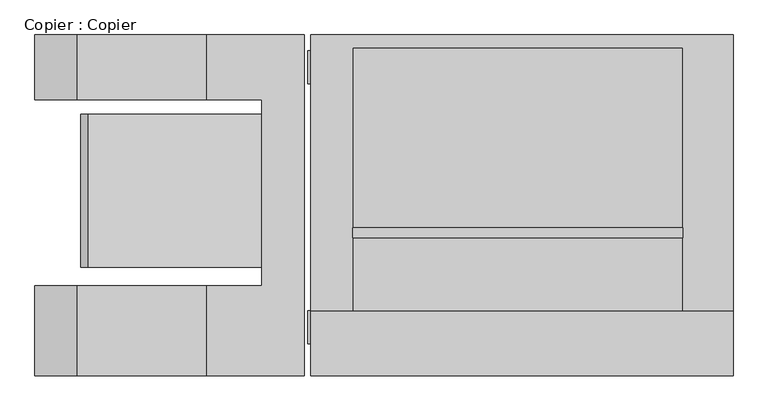
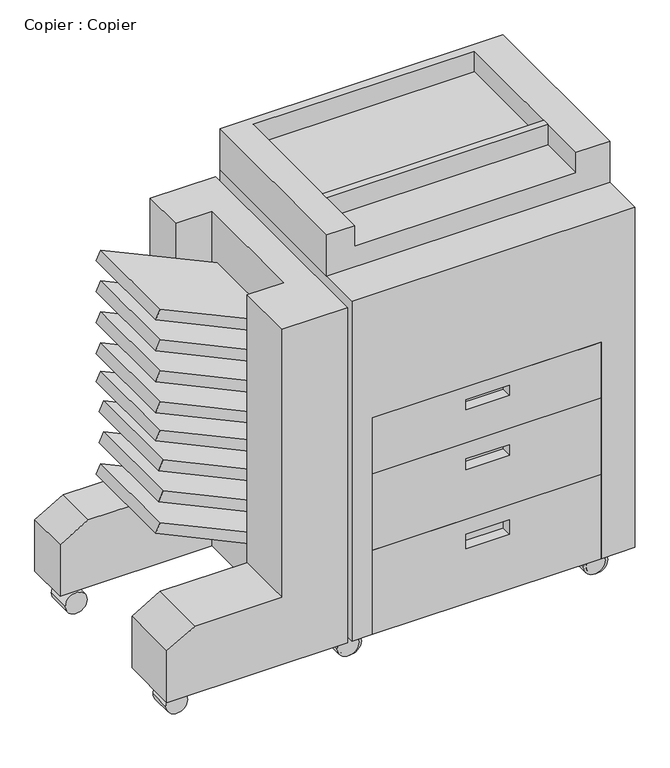
"""IFC4 building model written with IfcOpenShell, lengths in millimetres: proxy geometry, Copier : Copier."""

import ifcopenshell
import ifcopenshell.guid

model = None  # the IFC model being written
_history = None  # IfcOwnerHistory: only IFC2X3 demands one
_inside = {}  # id of a spatial element -> (the spatial element, [elements in it])
_under = {}  # id of a project, library or spatial element -> (it, [spatial elements below it])
_declared = {}  # id of a project -> (the project, [libraries it declares])
_typed = {}  # id of a type object -> (the type object, [elements of that type])
_made_of = {}  # id of a material, layer set ... -> (it, [elements and type objects made of it])


def new_model(schema):
    """Start an empty IFC model of exactly this schema.

    Asked for "IFC4X3", IfcOpenShell would pick the latest addendum, in which some entities
    have other attributes; the version numbers below select the first issue.
    IFC2X3 requires an IfcOwnerHistory on every rooted entity: one is made here for all.
    """
    global model, _history
    if schema == "IFC4X3":
        model = ifcopenshell.file(schema_version=(4, 3, 0, 0))
    else:
        model = ifcopenshell.file(schema=schema)
    _inside.clear()
    _under.clear()
    _declared.clear()
    _typed.clear()
    _made_of.clear()
    _history = None
    if model.schema == "IFC2X3":
        org = make("IfcOrganization", Name="unknown")
        user = make(
            "IfcPersonAndOrganization",
            ThePerson=make("IfcPerson", FamilyName="unknown"),
            TheOrganization=org,
        )
        app = make(
            "IfcApplication",
            ApplicationDeveloper=org,
            Version="unknown",
            ApplicationFullName="unknown",
            ApplicationIdentifier="unknown",
        )
        _history = make(
            "IfcOwnerHistory",
            OwningUser=user,
            OwningApplication=app,
            ChangeAction="ADDED",
            CreationDate=0,
        )
    return model


def make(cls, **values):
    """One entity of the class cls with the attributes given. An attribute that is None is left unset."""
    return model.create_entity(
        cls, **{name: value for name, value in values.items() if value is not None}
    )


def rooted(cls, **values):
    """An entity with a GlobalId (a new one), such as an element, a storey or a relation."""
    return make(cls, GlobalId=ifcopenshell.guid.new(), OwnerHistory=_history, **values)


def si_unit(unit_type, name, prefix=None):
    """IfcSIUnit, for example si_unit("LENGTHUNIT", "METRE", prefix="MILLI")."""
    return make("IfcSIUnit", UnitType=unit_type, Prefix=prefix, Name=name)


def assignment(units):
    """IfcUnitAssignment: the units of a project."""
    return None if units is None else make("IfcUnitAssignment", Units=units)


def point(xyz):
    """IfcCartesianPoint."""
    return None if xyz is None else make("IfcCartesianPoint", Coordinates=xyz)


def direction(xyz):
    """IfcDirection."""
    return None if xyz is None else make("IfcDirection", DirectionRatios=xyz)


def frame(location, z_axis=None, x_axis=None):
    """IfcAxis2Placement3D, a coordinate frame: its origin and axes. An axis left out is left unset."""
    return make(
        "IfcAxis2Placement3D",
        Location=point(location),
        Axis=direction(z_axis),
        RefDirection=direction(x_axis),
    )


def frame_2d(location, x_axis=None):
    """IfcAxis2Placement2D, a coordinate frame in the plane: its origin and x axis."""
    return make(
        "IfcAxis2Placement2D", Location=point(location), RefDirection=direction(x_axis)
    )


def origin():
    """The frame at (0, 0, 0) with its axes left unset."""
    return frame((0.0, 0.0, 0.0))


def place(relative_to, where):
    """IfcLocalPlacement: puts the frame where relative to a parent placement (None: the world)."""
    return make(
        "IfcLocalPlacement", PlacementRelTo=relative_to, RelativePlacement=where
    )


def context(
    kind, dimensions, precision=None, world=None, true_north=None, identifier=None
):
    """IfcGeometricRepresentationContext, for example the 3D "Model" context."""
    return make(
        "IfcGeometricRepresentationContext",
        ContextIdentifier=identifier,
        ContextType=kind,
        CoordinateSpaceDimension=dimensions,
        Precision=precision,
        WorldCoordinateSystem=world,
        TrueNorth=true_north,
    )


def project(units=None, contexts=None):
    """IfcProject with its units and contexts."""
    return rooted(
        "IfcProject",
        Name="project",
        RepresentationContexts=contexts,
        UnitsInContext=assignment(units),
    )


def spatial(cls, under=None, at=None, **own):
    """A site, building, storey or space (cls), placed at a placement, below another one or the project."""
    s = rooted(cls, ObjectPlacement=at, **own)
    if under is not None:
        _under.setdefault(under.id(), (under, []))[1].append(s)
    return s


def polyline(points):
    """IfcPolyline through the points."""
    return make("IfcPolyline", Points=[point(p) for p in points])


def circle_curve(where, radius):
    """IfcCircle in the frame where."""
    return make("IfcCircle", Position=where, Radius=radius)


def trimmed(basis, trim1, trim2, sense, master):
    """IfcTrimmedCurve: the piece of a basis curve between two trims."""
    return make(
        "IfcTrimmedCurve",
        BasisCurve=basis,
        Trim1=trim1,
        Trim2=trim2,
        SenseAgreement=sense,
        MasterRepresentation=master,
    )


def segment(curve, same_sense, transition):
    """IfcCompositeCurveSegment."""
    return make(
        "IfcCompositeCurveSegment",
        Transition=transition,
        SameSense=same_sense,
        ParentCurve=curve,
    )


def composite_curve(segments, self_intersect=None):
    """IfcCompositeCurve: segments joined end to end."""
    return make("IfcCompositeCurve", Segments=segments, SelfIntersect=self_intersect)


def outline(outer, holes=None, kind="AREA"):
    """IfcArbitraryClosedProfileDef: a profile drawn as a closed curve; with holes, ...WithVoids."""
    if holes is None:
        return make("IfcArbitraryClosedProfileDef", ProfileType=kind, OuterCurve=outer)
    return make(
        "IfcArbitraryProfileDefWithVoids",
        ProfileType=kind,
        OuterCurve=outer,
        InnerCurves=holes,
    )


def extrude(swept, where, along, depth):
    """IfcExtrudedAreaSolid: the profile swept, set in the frame where, extruded along a direction by depth."""
    return make(
        "IfcExtrudedAreaSolid",
        SweptArea=swept,
        Position=where,
        ExtrudedDirection=direction(along),
        Depth=depth,
    )


def faces_of(points, faces, orient=None, outer=None):
    """IfcFace entities. A face is a list of loops; a loop is a list of indices into points, from 0.

    orient and outer hold one flag for each loop. By default every Orientation is true, the
    first loop of a face is its IfcFaceOuterBound and the others are IfcFaceBound.
    """
    made = []
    for i, loops in enumerate(faces):
        bounds = []
        for j, loop in enumerate(loops):
            is_outer = j == 0 if outer is None else outer[i][j]
            bounds.append(
                make(
                    "IfcFaceOuterBound" if is_outer else "IfcFaceBound",
                    Bound=make("IfcPolyLoop", Polygon=[points[k] for k in loop]),
                    Orientation=True if orient is None else orient[i][j],
                )
            )
        made.append(make("IfcFace", Bounds=bounds))
    return made


def faceted_brep(points, faces, orient=None, outer=None, voids=None):
    """IfcFacetedBrep: a solid bounded by flat faces; with voids (closed shells), ...WithVoids."""
    shared = [point(p) for p in points]
    hull = make("IfcClosedShell", CfsFaces=faces_of(shared, faces, orient, outer))
    if voids is None:
        return make("IfcFacetedBrep", Outer=hull)
    return make(
        "IfcFacetedBrepWithVoids",
        Outer=hull,
        Voids=[
            make(cls, CfsFaces=faces_of(shared, fs, o, b)) for cls, fs, o, b in voids
        ],
    )


def shape(context_of_items, identifier, shape_type, items):
    """IfcShapeRepresentation: the items that make up one representation, for example the "Body"."""
    return make(
        "IfcShapeRepresentation",
        ContextOfItems=context_of_items,
        RepresentationIdentifier=identifier,
        RepresentationType=shape_type,
        Items=items,
    )


def source(mapping_origin, context_of_items, identifier, shape_type, items):
    """IfcRepresentationMap: a shape defined once, which mapped items show again and again."""
    return make(
        "IfcRepresentationMap",
        MappingOrigin=mapping_origin,
        MappedRepresentation=shape(context_of_items, identifier, shape_type, items),
    )


def transform(
    local_origin,
    x_axis=None,
    y_axis=None,
    z_axis=None,
    scale=None,
    scale2=None,
    scale3=None,
    uniform=True,
):
    """IfcCartesianTransformationOperator3D, or its non-uniform kind. x_axis, y_axis, z_axis: its Axis1, 2, 3."""
    if uniform:
        return make(
            "IfcCartesianTransformationOperator3D",
            Axis1=direction(x_axis),
            Axis2=direction(y_axis),
            LocalOrigin=point(local_origin),
            Scale=scale,
            Axis3=direction(z_axis),
        )
    return make(
        "IfcCartesianTransformationOperator3DnonUniform",
        Axis1=direction(x_axis),
        Axis2=direction(y_axis),
        LocalOrigin=point(local_origin),
        Scale=scale,
        Axis3=direction(z_axis),
        Scale2=scale2,
        Scale3=scale3,
    )


def mapped(mapping_source, mapping_target):
    """IfcMappedItem: shows the shape of a source again, moved by a transform."""
    return make(
        "IfcMappedItem", MappingSource=mapping_source, MappingTarget=mapping_target
    )


def made_of(thing, what):
    """Note that an element or type object is made of a material, layer set ...; save() writes the relation."""
    if what is not None:
        _made_of.setdefault(what.id(), (what, []))[1].append(thing)
    return thing


def element(
    cls,
    number,
    at=None,
    inside=None,
    cuts=None,
    type_object=None,
    material=None,
    context=None,
    identifier="Body",
    shape_type=None,
    held_by="IfcProductDefinitionShape",
    body=None,
    shapes=None,
    **own,
):
    """One element of the class cls, such as IfcWall. Its Tag is "e" and its number.

    at: its placement. inside: the storey or other place that contains it. cuts: it is an
    opening in that element (IfcRelVoidsElement). A single representation is given by context,
    identifier, shape_type and body (its items); several are given by shapes. held_by: the class
    of the entity that holds the representations. save() writes the other relations.
    """
    e = rooted(cls, Tag="e%d" % number, ObjectPlacement=at, **own)
    if body is not None:
        shapes = [shape(context, identifier, shape_type, body)]
    if shapes is not None:
        e.Representation = make(held_by, Representations=shapes)
    if inside is not None:
        _inside.setdefault(inside.id(), (inside, []))[1].append(e)
    if cuts is not None:
        rooted(
            "IfcRelVoidsElement", RelatingBuildingElement=cuts, RelatedOpeningElement=e
        )
    if type_object is not None:
        _typed.setdefault(type_object.id(), (type_object, []))[1].append(e)
    return made_of(e, material)


def aggregate(whole, parts):
    """IfcRelAggregates: a whole, such as a stair, and the parts it consists of."""
    return rooted("IfcRelAggregates", RelatingObject=whole, RelatedObjects=parts)


def save(model, path):
    """Write the relations noted so far, then the file.

    IfcRelAggregates (storeys below a building ...), IfcRelContainedInSpatialStructure (elements
    in a storey), IfcRelDefinesByType, IfcRelAssociatesMaterial and IfcRelDeclares: one each for
    every whole, place, type object, material and project.
    """
    for whole, parts in _under.values():
        aggregate(whole, parts)
    for where, things in _inside.values():
        rooted(
            "IfcRelContainedInSpatialStructure",
            RelatedElements=things,
            RelatingStructure=where,
        )
    for kind, things in _typed.values():
        rooted("IfcRelDefinesByType", RelatedObjects=things, RelatingType=kind)
    for what, things in _made_of.values():
        rooted("IfcRelAssociatesMaterial", RelatedObjects=things, RelatingMaterial=what)
    for by, libraries in _declared.values():
        rooted("IfcRelDeclares", RelatingContext=by, RelatedDefinitions=libraries)
    model.write(path)


def copier_copier_a40bf9c1(model_context):
    return source(origin(), model_context, "Body", "SolidModel", [
        extrude(outline(polyline([(387.7567294, -681.6535349), (364.7365116, -692.3880388), (232.9041289, -409.6725817), (260.929928, -409.6725817), (387.7567294, -681.6535349)])), frame((0.0, -72.1685532, 0.0), z_axis=(0.0, 1.0, 0.0), x_axis=(0.0, 0.0, 1.0)), (0.0, 0.0, 1.0), 239.8222339),
        extrude(outline(polyline([(463.6667654, -675.0122673), (440.6465476, -685.7467712), (311.9110388, -409.6725817), (339.9368379, -409.6725817), (463.6667654, -675.0122673)])), frame((0.0, -72.1685532, 0.0), z_axis=(0.0, 1.0, 0.0), x_axis=(0.0, 0.0, 1.0)), (0.0, 0.0, 1.0), 239.8222339),
        extrude(outline(polyline([(539.8667654, -675.0122673), (516.8465476, -685.7467712), (388.1110388, -409.6725817), (416.1368379, -409.6725817), (539.8667654, -675.0122673)])), frame((0.0, -72.1685532, 0.0), z_axis=(0.0, 1.0, 0.0), x_axis=(0.0, 0.0, 1.0)), (0.0, 0.0, 1.0), 239.8222339),
        extrude(outline(polyline([(914.2268014, -681.6535349), (891.2065836, -692.3880388), (759.3742009, -409.6725817), (787.4, -409.6725817), (914.2268014, -681.6535349)])), frame((0.0, -72.1685532, 0.0), z_axis=(0.0, 1.0, 0.0), x_axis=(0.0, 0.0, 1.0)), (0.0, 0.0, 1.0), 239.8222339),
        extrude(outline(polyline([(838.0268014, -681.6535349), (815.0065836, -692.3880388), (683.1742009, -409.6725817), (711.2, -409.6725817), (838.0268014, -681.6535349)])), frame((0.0, -72.1685532, 0.0), z_axis=(0.0, 1.0, 0.0), x_axis=(0.0, 0.0, 1.0)), (0.0, 0.0, 1.0), 239.8222339),
        extrude(outline(polyline([(615.7768014, -681.6535349), (592.7565836, -692.3880388), (460.9242009, -409.6725817), (488.95, -409.6725817), (615.7768014, -681.6535349)])), frame((0.0, -72.1685532, 0.0), z_axis=(0.0, 1.0, 0.0), x_axis=(0.0, 0.0, 1.0)), (0.0, 0.0, 1.0), 239.8222339),
        extrude(outline(polyline([(685.6268014, -681.6535349), (662.6065836, -692.3880388), (530.7742009, -409.6725817), (558.8, -409.6725817), (685.6268014, -681.6535349)])), frame((0.0, -72.1685532, 0.0), z_axis=(0.0, 1.0, 0.0), x_axis=(0.0, 0.0, 1.0)), (0.0, 0.0, 1.0), 239.8222339),
        extrude(outline(polyline([(761.8268014, -681.6535349), (738.8065836, -692.3880388), (606.9742009, -409.6725817), (635.0, -409.6725817), (761.8268014, -681.6535349)])), frame((0.0, -72.1685532, 0.0), z_axis=(0.0, 1.0, 0.0), x_axis=(0.0, 0.0, 1.0)), (0.0, 0.0, 1.0), 239.8222339),
        extrude(outline(composite_curve([segment(trimmed(circle_curve(frame_2d((26.0668925, -711.8709821)), 25.4), [point((26.0668925, -737.2709821))], [point((26.0668925, -686.4709821))], False, "CARTESIAN"), True, "CONTINUOUS"), segment(trimmed(circle_curve(frame_2d((26.0668925, -711.8709821)), 25.4), [point((26.0668925, -686.4709821))], [point((26.0668925, -737.2709821))], False, "CARTESIAN"), True, "CONTINUOUS")], self_intersect=False)), frame((0.0, 215.1689468, 0.0), z_axis=(0.0, 1.0, 0.0), x_axis=(0.0, 0.0, 1.0)), (0.0, 0.0, 1.0), 55.9418879),
        extrude(outline(composite_curve([segment(trimmed(circle_curve(frame_2d((26.0668925, -711.8709821)), 25.4), [point((26.0668925, -737.2709821))], [point((26.0668925, -686.4709821))], False, "CARTESIAN"), True, "CONTINUOUS"), segment(trimmed(circle_curve(frame_2d((26.0668925, -711.8709821)), 25.4), [point((26.0668925, -686.4709821))], [point((26.0668925, -737.2709821))], False, "CARTESIAN"), True, "CONTINUOUS")], self_intersect=False)), frame((0.0, -191.2310532, 0.0), z_axis=(0.0, 1.0, 0.0), x_axis=(0.0, 0.0, 1.0)), (0.0, 0.0, 1.0), 51.3258053),
        faceted_brep([(-764.1654582, -242.0310532, 76.2), (-342.5743224, -242.0310532, 76.2), (-342.5743224, -242.0310532, 901.7), (-494.9743224, -242.0310532, 901.7), (-494.9743224, -242.0310532, 241.3), (-698.1743224, -242.0310532, 241.3), (-764.1654582, -242.0310532, 203.2), (-764.1654582, 291.3689468, 76.2), (-764.1654582, 291.3689468, 203.2), (-698.1743224, 291.3689468, 241.3), (-494.9743224, 291.3689468, 241.3), (-494.9743224, 291.3689468, 901.7), (-342.5743224, 291.3689468, 901.7), (-342.5743224, 291.3689468, 76.2), (-764.1654582, -100.8888364, 76.2), (-409.6725817, -100.8888364, 76.2), (-409.6725817, 189.7689468, 76.2), (-764.1654582, 189.7689468, 76.2), (-494.9743224, 189.7689468, 901.7), (-409.6725817, 189.7689468, 901.7), (-409.6725817, -100.8888364, 901.7), (-494.9743224, -100.8888364, 901.7), (-494.9743224, -100.8888364, 241.3), (-494.9743224, 189.7689468, 241.3), (-698.1743224, -100.8888364, 241.3), (-698.1743224, 189.7689468, 241.3), (-764.1654582, -100.8888364, 203.2), (-764.1654582, 189.7689468, 203.2)], [[[0, 1, 2, 3, 4, 5, 6]], [[7, 8, 9, 10, 11, 12, 13]], [[1, 0, 14, 15, 16, 17, 7, 13]], [[2, 1, 13, 12]], [[3, 2, 12, 11, 18, 19, 20, 21]], [[4, 3, 21, 22]], [[11, 10, 23, 18]], [[5, 4, 22, 24]], [[10, 9, 25, 23]], [[6, 5, 24, 26]], [[9, 8, 27, 25]], [[0, 6, 26, 14]], [[8, 7, 17, 27]], [[16, 19, 18, 23, 25, 27, 17]], [[20, 15, 14, 26, 24, 22, 21]], [[19, 16, 15, 20]]]),
        extrude(outline(composite_curve([segment(trimmed(circle_curve(frame_2d((27.9129458, -312.2555429)), 25.4), [point((27.9129458, -337.6555429))], [point((27.9129458, -286.8555429))], False, "CARTESIAN"), True, "CONTINUOUS"), segment(trimmed(circle_curve(frame_2d((27.9129458, -312.2555429)), 25.4), [point((27.9129458, -286.8555429))], [point((27.9129458, -337.6555429))], False, "CARTESIAN"), True, "CONTINUOUS")], self_intersect=False)), frame((0.0, 215.1689468, 0.0), z_axis=(0.0, 1.0, 0.0), x_axis=(0.0, 0.0, 1.0)), (0.0, 0.0, 1.0), 51.3258053),
        extrude(outline(composite_curve([segment(trimmed(circle_curve(frame_2d((27.9129458, 262.7398948)), 25.4), [point((27.9129458, 237.3398948))], [point((27.9129458, 288.1398948))], False, "CARTESIAN"), True, "CONTINUOUS"), segment(trimmed(circle_curve(frame_2d((27.9129458, 262.7398948)), 25.4), [point((27.9129458, 288.1398948))], [point((27.9129458, 237.3398948))], False, "CARTESIAN"), True, "CONTINUOUS")], self_intersect=False)), frame((0.0, 215.1689468, 0.0), z_axis=(0.0, 1.0, 0.0), x_axis=(0.0, 0.0, 1.0)), (0.0, 0.0, 1.0), 51.3258053),
        extrude(outline(composite_curve([segment(trimmed(circle_curve(frame_2d((27.9129458, -312.2555429)), 25.4), [point((27.9129458, -337.6555429))], [point((27.9129458, -286.8555429))], False, "CARTESIAN"), True, "CONTINUOUS"), segment(trimmed(circle_curve(frame_2d((27.9129458, -312.2555429)), 25.4), [point((27.9129458, -286.8555429))], [point((27.9129458, -337.6555429))], False, "CARTESIAN"), True, "CONTINUOUS")], self_intersect=False)), frame((0.0, -191.2310532, 0.0), z_axis=(0.0, 1.0, 0.0), x_axis=(0.0, 0.0, 1.0)), (0.0, 0.0, 1.0), 51.3258053),
        extrude(outline(composite_curve([segment(trimmed(circle_curve(frame_2d((27.9129458, 262.7398948)), 25.4), [point((27.9129458, 237.3398948))], [point((27.9129458, 288.1398948))], False, "CARTESIAN"), True, "CONTINUOUS"), segment(trimmed(circle_curve(frame_2d((27.9129458, 262.7398948)), 25.4), [point((27.9129458, 288.1398948))], [point((27.9129458, 237.3398948))], False, "CARTESIAN"), True, "CONTINUOUS")], self_intersect=False)), frame((0.0, -191.2310532, 0.0), z_axis=(0.0, 1.0, 0.0), x_axis=(0.0, 0.0, 1.0)), (0.0, 0.0, 1.0), 51.3258053),
        extrude(outline(composite_curve([segment(trimmed(circle_curve(frame_2d((27.9129458, -306.6302391)), 25.4), [point((27.9129458, -332.0302391))], [point((27.9129458, -281.2302391))], False, "CARTESIAN"), True, "CONTINUOUS"), segment(trimmed(circle_curve(frame_2d((27.9129458, -306.6302391)), 25.4), [point((27.9129458, -281.2302391))], [point((27.9129458, -332.0302391))], False, "CARTESIAN"), True, "CONTINUOUS")], self_intersect=False)), frame((0.0, -191.2310532, 0.0), z_axis=(0.0, 1.0, 0.0), x_axis=(0.0, 0.0, 1.0)), (0.0, 0.0, 1.0), 51.3258053),
        extrude(outline(composite_curve([segment(trimmed(circle_curve(frame_2d((27.9129458, 268.3651986)), 25.4), [point((27.9129458, 242.9651986))], [point((27.9129458, 293.7651986))], False, "CARTESIAN"), True, "CONTINUOUS"), segment(trimmed(circle_curve(frame_2d((27.9129458, 268.3651986)), 25.4), [point((27.9129458, 293.7651986))], [point((27.9129458, 242.9651986))], False, "CARTESIAN"), True, "CONTINUOUS")], self_intersect=False)), frame((0.0, -191.2310532, 0.0), z_axis=(0.0, 1.0, 0.0), x_axis=(0.0, 0.0, 1.0)), (0.0, 0.0, 1.0), 51.3258053),
        extrude(outline(polyline([(249.314028, -26.1310532), (-267.2959958, -26.1310532), (-267.2959958, -10.0577181), (249.314028, -10.0577181), (249.314028, -26.1310532)])), frame((0.0, 0.0, 965.2), z_axis=(0.0, 0.0, 1.0), x_axis=(1.0, 0.0, 0.0)), (0.0, 0.0, 1.0), 50.8),
        faceted_brep([(249.314028, -242.0310532, 472.3553727), (249.314028, -242.0310532, 609.6), (-284.085972, -242.0310532, 609.6), (-284.085972, -242.0310532, 472.3553727), (-66.7741493, -242.0310532, 578.8591447), (34.8258507, -242.0310532, 578.8591447), (34.8258507, -242.0310532, 553.4591447), (-66.7741493, -242.0310532, 553.4591447), (249.314028, -191.2310532, 472.3553727), (-284.085972, -191.2310532, 472.3553727), (-284.085972, -191.2310532, 609.6), (249.314028, -191.2310532, 609.6), (34.8258507, -216.6310532, 578.8591447), (-66.7741493, -216.6310532, 578.8591447), (-66.7741493, -216.6310532, 553.4591447), (34.8258507, -216.6310532, 553.4591447)], [[[0, 1, 2, 3], [4, 5, 6, 7]], [[8, 9, 10, 11]], [[1, 0, 8, 11]], [[2, 1, 11, 10]], [[3, 2, 10, 9]], [[0, 3, 9, 8]], [[12, 13, 14, 15]], [[13, 12, 5, 4]], [[14, 13, 4, 7]], [[15, 14, 7, 6]], [[12, 15, 6, 5]]]),
        faceted_brep([(249.314028, -242.0310532, 283.8723489), (249.314028, -242.0310532, 472.3553727), (-284.085972, -242.0310532, 472.3553727), (-284.085972, -242.0310532, 283.8723489), (-66.7741493, -242.0310532, 432.3774172), (34.8258507, -242.0310532, 432.3774172), (34.8258507, -242.0310532, 406.4), (-66.7741493, -242.0310532, 406.4), (249.314028, -191.2310532, 283.8723489), (-284.085972, -191.2310532, 283.8723489), (-284.085972, -191.2310532, 472.3553727), (249.314028, -191.2310532, 472.3553727), (34.8258507, -216.6310532, 432.3774172), (-66.7741493, -216.6310532, 432.3774172), (-66.7741493, -216.6310532, 406.4), (34.8258507, -216.6310532, 406.4)], [[[0, 1, 2, 3], [4, 5, 6, 7]], [[8, 9, 10, 11]], [[1, 0, 8, 11]], [[2, 1, 11, 10]], [[3, 2, 10, 9]], [[0, 3, 9, 8]], [[12, 13, 14, 15]], [[13, 12, 5, 4]], [[14, 13, 4, 7]], [[15, 14, 7, 6]], [[12, 15, 6, 5]]]),
        faceted_brep([(249.314028, -242.0310532, 76.2), (249.314028, -242.0310532, 283.8723489), (-284.085972, -242.0310532, 283.8723489), (-284.085972, -242.0310532, 76.2), (-66.7741493, -242.0310532, 246.5423898), (34.8258507, -242.0310532, 246.5423898), (34.8258507, -242.0310532, 211.1096445), (-66.7741493, -242.0310532, 211.1096445), (249.314028, -191.2310532, 76.2), (-284.085972, -191.2310532, 76.2), (-284.085972, -191.2310532, 283.8723489), (249.314028, -191.2310532, 283.8723489), (34.8258507, -216.6310532, 246.5423898), (-66.7741493, -216.6310532, 246.5423898), (-66.7741493, -216.6310532, 211.1096445), (34.8258507, -216.6310532, 211.1096445)], [[[0, 1, 2, 3], [4, 5, 6, 7]], [[8, 9, 10, 11]], [[1, 0, 8, 11]], [[2, 1, 11, 10]], [[3, 2, 10, 9]], [[0, 3, 9, 8]], [[12, 13, 14, 15]], [[13, 12, 5, 4]], [[14, 13, 4, 7]], [[15, 14, 7, 6]], [[12, 15, 6, 5]]]),
        faceted_brep([(328.0345418, 291.3689468, 1016.0), (-332.3654582, 291.3689468, 1016.0), (-332.3654582, -139.9052479, 1016.0), (-267.2959958, -139.9052479, 1016.0), (-267.2959958, 271.1108348, 1016.0), (249.314028, 271.1108348, 1016.0), (249.314028, -139.9052479, 1016.0), (328.0345418, -139.9052479, 1016.0), (328.0345418, 291.3689468, 914.4), (328.0345418, -139.9052479, 914.4), (-332.3654582, -139.9052479, 914.4), (-332.3654582, 291.3689468, 914.4), (249.314028, -139.9052479, 965.2), (-267.2959958, -139.9052479, 965.2), (249.314028, 271.1108348, 965.2), (-267.2959958, 271.1108348, 965.2)], [[[0, 1, 2, 3, 4, 5, 6, 7]], [[8, 9, 10, 11]], [[1, 0, 8, 11]], [[2, 1, 11, 10]], [[10, 9, 7, 6, 12, 13, 3, 2]], [[0, 7, 9, 8]], [[14, 15, 13, 12]], [[15, 14, 5, 4]], [[13, 15, 4, 3]], [[14, 12, 6, 5]]]),
        faceted_brep([(328.0345418, 291.3689468, 914.4), (-332.3654582, 291.3689468, 914.4), (-332.3654582, -242.0310532, 914.4), (328.0345418, -242.0310532, 914.4), (328.0345418, 291.3689468, 76.2), (328.0345418, -242.0310532, 76.2), (249.314028, -242.0310532, 76.2), (249.314028, -191.2310532, 76.2), (-284.085972, -191.2310532, 76.2), (-284.085972, -242.0310532, 76.2), (-332.3654582, -242.0310532, 76.2), (-332.3654582, 291.3689468, 76.2), (-284.085972, -242.0310532, 609.6), (249.314028, -242.0310532, 609.6), (-284.085972, -191.2310532, 609.6), (249.314028, -191.2310532, 609.6)], [[[0, 1, 2, 3]], [[4, 5, 6, 7, 8, 9, 10, 11]], [[1, 0, 4, 11]], [[2, 1, 11, 10]], [[3, 2, 10, 9, 12, 13, 6, 5]], [[0, 3, 5, 4]], [[14, 8, 7, 15]], [[8, 14, 12, 9]], [[15, 7, 6, 13]], [[14, 15, 13, 12]]]),
    ])


if __name__ == "__main__":
    model = new_model("IFC4")
    model_context = context("Model", 3, world=origin())
    ifc_project = project(units=[si_unit("LENGTHUNIT", "METRE", prefix="MILLI")], contexts=[model_context])
    site = spatial("IfcSite", under=ifc_project)
    building = spatial("IfcBuilding", under=site)
    placement = place(None, origin())
    copier_copier_shape = copier_copier_a40bf9c1(model_context)
    element("IfcBuildingElementProxy", 1, Name="Copier : Copier", ObjectType="Copier : Copier", at=placement, inside=building, context=model_context, shape_type="MappedRepresentation", body=[
        mapped(copier_copier_shape, transform((0.0, 0.0, 0.0), x_axis=(1.0, 0.0, 0.0), y_axis=(0.0, 1.0, 0.0), z_axis=(0.0, 0.0, 1.0))),
    ])
    save(model, "model.ifc")
